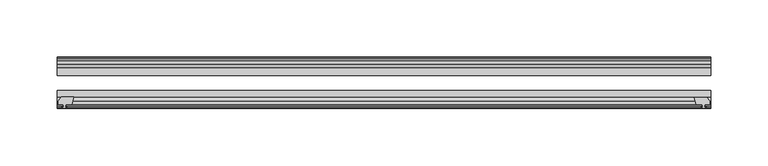
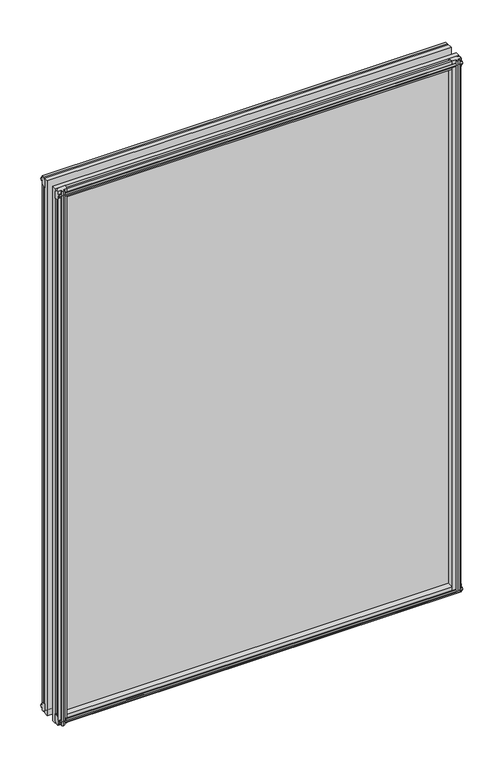
"""IFC4 building model written with IfcOpenShell, lengths in millimetres: plate geometry."""

from ifc_helpers import new_model, si_unit, frame, origin, place, context, project, spatial, polyline, outline, extrude, source, transform, mapped, element, save


def plate_38a463cc(model_context):
    return source(origin(), model_context, "Body", "SweptSolid", [
        extrude(outline(polyline([(-271.3322819, -83.1453125), (-273.05, -89.4953125), (-278.257, -89.4953125), (-278.638, -91.8755095), (-277.2224709, -91.4155762), (-277.2224709, -92.2167904), (-279.4, -92.9243125), (-281.577529, -92.2167904), (-281.577529, -91.4155762), (-280.162, -91.8755095), (-280.543, -89.4953125), (-284.988, -89.4953125), (-284.988, -86.5489125), (-282.1536578, -83.1453125), (-271.3322819, -83.1453125)])), frame((0.0, 0.0, -12.4587), z_axis=(0.0, 0.0, 1.0), x_axis=(1.0, 0.0, 0.0)), (0.0, 0.0, 1.0), 799.6174009),
        extrude(outline(polyline([(271.3538926, -83.2252021), (282.1752685, -83.2252021), (285.0096107, -86.6288021), (285.0096107, -89.5752021), (280.5646107, -89.5752021), (280.1836107, -91.9553991), (281.5991397, -91.4954658), (281.5991397, -92.29668), (279.4216107, -93.0042021), (277.2440816, -92.29668), (277.2440816, -91.4954658), (278.6596107, -91.9553991), (278.2786107, -89.5752021), (273.0716107, -89.5752021), (271.3538926, -83.2252021)])), frame((0.0, 0.0, -9.0482291), z_axis=(0.0, 0.0, 1.0), x_axis=(1.0, 0.0, 0.0)), (0.0, 0.0, 1.0), 796.2069299),
        extrude(outline(polyline([(-280.6827, -49.0151155), (-282.098229, -49.4750488), (-282.098229, -48.6738346), (-279.9207, -47.9663125), (-277.7431709, -48.6738346), (-277.7431709, -49.4750488), (-279.1587, -49.0151155), (-278.7777, -51.3953125), (-273.5707, -51.3953125), (-271.8529819, -57.7453125), (-282.6743578, -57.7453125), (-285.5087, -54.3417125), (-285.5087, -51.3953125), (-281.0637, -51.3953125), (-280.6827, -49.0151155)])), frame((0.0, 0.0, -12.4587), z_axis=(0.0, 0.0, 1.0), x_axis=(1.0, 0.0, 0.0)), (0.0, 0.0, 1.0), 793.2674009),
        extrude(outline(polyline([(271.8529819, -57.7453125), (273.5707, -51.3953125), (278.7777, -51.3953125), (279.1587, -49.0151155), (277.7431709, -49.4750488), (277.7431709, -48.6738346), (279.9207, -47.9663125), (282.098229, -48.6738346), (282.098229, -49.4750488), (280.6827, -49.0151155), (281.0637, -51.3953125), (285.5087, -51.3953125), (285.5087, -54.3417125), (282.6743578, -57.7453125), (271.8529819, -57.7453125)])), frame((0.0, 0.0, -12.4587), z_axis=(0.0, 0.0, 1.0), x_axis=(1.0, 0.0, 0.0)), (0.0, 0.0, 1.0), 793.2674009),
        extrude(outline(polyline([(-48.6738346, -4.6931709), (-47.9663125, -6.8707), (-48.6738346, -9.0482291), (-49.4750488, -9.0482291), (-49.0151155, -7.6327), (-51.3953125, -8.0137), (-51.3953125, -12.4587), (-54.3417125, -12.4587), (-57.7453125, -9.6243578), (-57.7453125, 1.1970181), (-51.3953125, -0.5207), (-51.3953125, -5.7277), (-49.0151155, -6.1087), (-49.4750488, -4.6931709), (-48.6738346, -4.6931709)])), frame((-285.75, 0.0, 0.0), z_axis=(1.0, 0.0, 0.0), x_axis=(0.0, 1.0, 0.0)), (0.0, 0.0, 1.0), 571.5),
        extrude(outline(polyline([(-83.1453125, 1.7177181), (-83.1453125, -9.1036578), (-86.5489125, -11.938), (-89.4953125, -11.938), (-89.4953125, -7.493), (-91.8755095, -7.112), (-91.4155762, -8.5275291), (-92.2167904, -8.5275291), (-92.9243125, -6.35), (-92.2167904, -4.1724709), (-91.4155762, -4.1724709), (-91.8755095, -5.588), (-89.4953125, -5.207), (-89.4953125, 0.0), (-83.1453125, 1.7177181)])), frame((-285.75, 0.0, 0.0), z_axis=(1.0, 0.0, 0.0), x_axis=(0.0, 1.0, 0.0)), (0.0, 0.0, 1.0), 571.5),
        extrude(outline(polyline([(-49.0151155, 782.3327009), (-49.4750488, 783.7482299), (-48.6738346, 783.7482299), (-47.9663125, 781.5707009), (-48.6738346, 779.3931718), (-49.4750488, 779.3931718), (-49.0151155, 780.8087009), (-51.3953125, 780.4277009), (-51.3953125, 775.2207009), (-57.7453125, 773.5029828), (-57.7453125, 784.3243587), (-54.3417125, 787.1587009), (-51.3953125, 787.1587009), (-51.3953125, 782.7137009), (-49.0151155, 782.3327009)])), frame((-285.75, 0.0, 0.0), z_axis=(1.0, 0.0, 0.0), x_axis=(0.0, 1.0, 0.0)), (0.0, 0.0, 1.0), 571.5),
        extrude(outline(polyline([(-89.4953125, 786.6380009), (-86.5489125, 786.6380009), (-83.1453125, 783.8036587), (-83.1453125, 772.9822828), (-89.4953125, 774.7000009), (-89.4953125, 779.9070009), (-91.8755095, 780.2880009), (-91.4155762, 778.8724718), (-92.2167904, 778.8724718), (-92.9243125, 781.0500009), (-92.2167904, 783.2275299), (-91.4155762, 783.2275299), (-91.8755095, 781.8120009), (-89.4953125, 782.1930009), (-89.4953125, 786.6380009)])), frame((-285.75, 0.0, 0.0), z_axis=(1.0, 0.0, 0.0), x_axis=(0.0, 1.0, 0.0)), (0.0, 0.0, 1.0), 571.5),
        extrude(outline(polyline([(-285.75, -57.7453125), (285.75, -57.7453125), (285.75, -64.0953125), (-285.75, -64.0953125), (-285.75, -57.7453125)])), frame((0.0, 0.0, -12.7), z_axis=(0.0, 0.0, 1.0), x_axis=(1.0, 0.0, 0.0)), (0.0, 0.0, 1.0), 800.1000009),
        extrude(outline(polyline([(-285.75, -77.1178925), (285.75, -77.1178925), (285.75, -83.1453125), (-285.75, -83.1453125), (-285.75, -77.1178925)])), frame((0.0, 0.0, -12.7), z_axis=(0.0, 0.0, 1.0), x_axis=(1.0, 0.0, 0.0)), (0.0, 0.0, 1.0), 800.1000009),
    ])


if __name__ == "__main__":
    model = new_model("IFC4")
    model_context = context("Model", 3, world=origin())
    ifc_project = project(units=[si_unit("LENGTHUNIT", "METRE", prefix="MILLI")], contexts=[model_context])
    site = spatial("IfcSite", under=ifc_project)
    building = spatial("IfcBuilding", under=site)
    placement = place(None, origin())
    plate_shape = plate_38a463cc(model_context)
    element("IfcPlate", 1, at=placement, inside=building, context=model_context, shape_type="MappedRepresentation", body=[
        mapped(plate_shape, transform((0.0, 0.0, 0.0), x_axis=(1.0, 0.0, 0.0), y_axis=(0.0, 1.0, 0.0), z_axis=(0.0, 0.0, 1.0))),
    ])
    save(model, "model.ifc")
